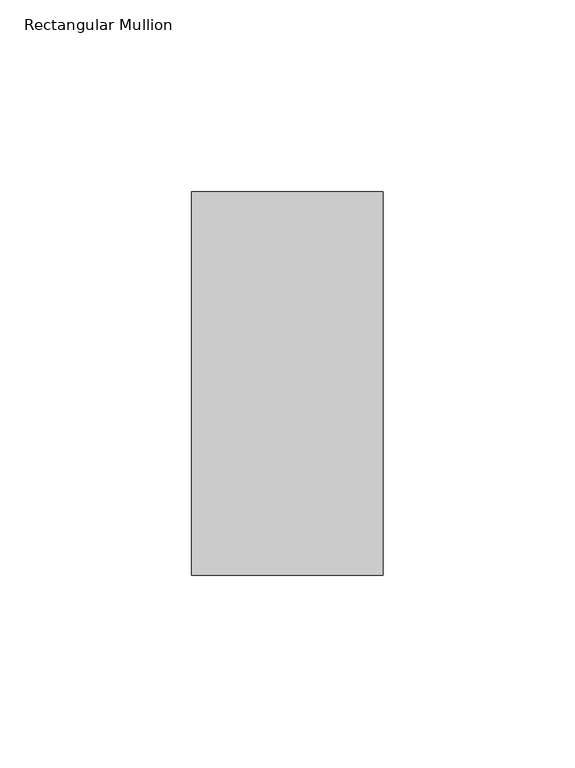
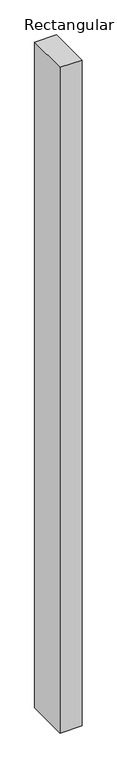
"""IFC4 building model written with IfcOpenShell, lengths in millimetres: member geometry, Rectangular Mullion."""

import ifcopenshell
import ifcopenshell.guid

model = None  # the IFC model being written
_history = None  # IfcOwnerHistory: only IFC2X3 demands one
_inside = {}  # id of a spatial element -> (the spatial element, [elements in it])
_under = {}  # id of a project, library or spatial element -> (it, [spatial elements below it])
_declared = {}  # id of a project -> (the project, [libraries it declares])
_typed = {}  # id of a type object -> (the type object, [elements of that type])
_made_of = {}  # id of a material, layer set ... -> (it, [elements and type objects made of it])


def new_model(schema):
    """Start an empty IFC model of exactly this schema.

    Asked for "IFC4X3", IfcOpenShell would pick the latest addendum, in which some entities
    have other attributes; the version numbers below select the first issue.
    IFC2X3 requires an IfcOwnerHistory on every rooted entity: one is made here for all.
    """
    global model, _history
    if schema == "IFC4X3":
        model = ifcopenshell.file(schema_version=(4, 3, 0, 0))
    else:
        model = ifcopenshell.file(schema=schema)
    _inside.clear()
    _under.clear()
    _declared.clear()
    _typed.clear()
    _made_of.clear()
    _history = None
    if model.schema == "IFC2X3":
        org = make("IfcOrganization", Name="unknown")
        user = make(
            "IfcPersonAndOrganization",
            ThePerson=make("IfcPerson", FamilyName="unknown"),
            TheOrganization=org,
        )
        app = make(
            "IfcApplication",
            ApplicationDeveloper=org,
            Version="unknown",
            ApplicationFullName="unknown",
            ApplicationIdentifier="unknown",
        )
        _history = make(
            "IfcOwnerHistory",
            OwningUser=user,
            OwningApplication=app,
            ChangeAction="ADDED",
            CreationDate=0,
        )
    return model


def make(cls, **values):
    """One entity of the class cls with the attributes given. An attribute that is None is left unset."""
    return model.create_entity(
        cls, **{name: value for name, value in values.items() if value is not None}
    )


def rooted(cls, **values):
    """An entity with a GlobalId (a new one), such as an element, a storey or a relation."""
    return make(cls, GlobalId=ifcopenshell.guid.new(), OwnerHistory=_history, **values)


def si_unit(unit_type, name, prefix=None):
    """IfcSIUnit, for example si_unit("LENGTHUNIT", "METRE", prefix="MILLI")."""
    return make("IfcSIUnit", UnitType=unit_type, Prefix=prefix, Name=name)


def assignment(units):
    """IfcUnitAssignment: the units of a project."""
    return None if units is None else make("IfcUnitAssignment", Units=units)


def point(xyz):
    """IfcCartesianPoint."""
    return None if xyz is None else make("IfcCartesianPoint", Coordinates=xyz)


def direction(xyz):
    """IfcDirection."""
    return None if xyz is None else make("IfcDirection", DirectionRatios=xyz)


def frame(location, z_axis=None, x_axis=None):
    """IfcAxis2Placement3D, a coordinate frame: its origin and axes. An axis left out is left unset."""
    return make(
        "IfcAxis2Placement3D",
        Location=point(location),
        Axis=direction(z_axis),
        RefDirection=direction(x_axis),
    )


def origin():
    """The frame at (0, 0, 0) with its axes left unset."""
    return frame((0.0, 0.0, 0.0))


def place(relative_to, where):
    """IfcLocalPlacement: puts the frame where relative to a parent placement (None: the world)."""
    return make(
        "IfcLocalPlacement", PlacementRelTo=relative_to, RelativePlacement=where
    )


def context(
    kind, dimensions, precision=None, world=None, true_north=None, identifier=None
):
    """IfcGeometricRepresentationContext, for example the 3D "Model" context."""
    return make(
        "IfcGeometricRepresentationContext",
        ContextIdentifier=identifier,
        ContextType=kind,
        CoordinateSpaceDimension=dimensions,
        Precision=precision,
        WorldCoordinateSystem=world,
        TrueNorth=true_north,
    )


def project(units=None, contexts=None):
    """IfcProject with its units and contexts."""
    return rooted(
        "IfcProject",
        Name="project",
        RepresentationContexts=contexts,
        UnitsInContext=assignment(units),
    )


def spatial(cls, under=None, at=None, **own):
    """A site, building, storey or space (cls), placed at a placement, below another one or the project."""
    s = rooted(cls, ObjectPlacement=at, **own)
    if under is not None:
        _under.setdefault(under.id(), (under, []))[1].append(s)
    return s


def polyline(points):
    """IfcPolyline through the points."""
    return make("IfcPolyline", Points=[point(p) for p in points])


def outline(outer, holes=None, kind="AREA"):
    """IfcArbitraryClosedProfileDef: a profile drawn as a closed curve; with holes, ...WithVoids."""
    if holes is None:
        return make("IfcArbitraryClosedProfileDef", ProfileType=kind, OuterCurve=outer)
    return make(
        "IfcArbitraryProfileDefWithVoids",
        ProfileType=kind,
        OuterCurve=outer,
        InnerCurves=holes,
    )


def extrude(swept, where, along, depth):
    """IfcExtrudedAreaSolid: the profile swept, set in the frame where, extruded along a direction by depth."""
    return make(
        "IfcExtrudedAreaSolid",
        SweptArea=swept,
        Position=where,
        ExtrudedDirection=direction(along),
        Depth=depth,
    )


def shape(context_of_items, identifier, shape_type, items):
    """IfcShapeRepresentation: the items that make up one representation, for example the "Body"."""
    return make(
        "IfcShapeRepresentation",
        ContextOfItems=context_of_items,
        RepresentationIdentifier=identifier,
        RepresentationType=shape_type,
        Items=items,
    )


def source(mapping_origin, context_of_items, identifier, shape_type, items):
    """IfcRepresentationMap: a shape defined once, which mapped items show again and again."""
    return make(
        "IfcRepresentationMap",
        MappingOrigin=mapping_origin,
        MappedRepresentation=shape(context_of_items, identifier, shape_type, items),
    )


def transform(
    local_origin,
    x_axis=None,
    y_axis=None,
    z_axis=None,
    scale=None,
    scale2=None,
    scale3=None,
    uniform=True,
):
    """IfcCartesianTransformationOperator3D, or its non-uniform kind. x_axis, y_axis, z_axis: its Axis1, 2, 3."""
    if uniform:
        return make(
            "IfcCartesianTransformationOperator3D",
            Axis1=direction(x_axis),
            Axis2=direction(y_axis),
            LocalOrigin=point(local_origin),
            Scale=scale,
            Axis3=direction(z_axis),
        )
    return make(
        "IfcCartesianTransformationOperator3DnonUniform",
        Axis1=direction(x_axis),
        Axis2=direction(y_axis),
        LocalOrigin=point(local_origin),
        Scale=scale,
        Axis3=direction(z_axis),
        Scale2=scale2,
        Scale3=scale3,
    )


def mapped(mapping_source, mapping_target):
    """IfcMappedItem: shows the shape of a source again, moved by a transform."""
    return make(
        "IfcMappedItem", MappingSource=mapping_source, MappingTarget=mapping_target
    )


def made_of(thing, what):
    """Note that an element or type object is made of a material, layer set ...; save() writes the relation."""
    if what is not None:
        _made_of.setdefault(what.id(), (what, []))[1].append(thing)
    return thing


def element(
    cls,
    number,
    at=None,
    inside=None,
    cuts=None,
    type_object=None,
    material=None,
    context=None,
    identifier="Body",
    shape_type=None,
    held_by="IfcProductDefinitionShape",
    body=None,
    shapes=None,
    **own,
):
    """One element of the class cls, such as IfcWall. Its Tag is "e" and its number.

    at: its placement. inside: the storey or other place that contains it. cuts: it is an
    opening in that element (IfcRelVoidsElement). A single representation is given by context,
    identifier, shape_type and body (its items); several are given by shapes. held_by: the class
    of the entity that holds the representations. save() writes the other relations.
    """
    e = rooted(cls, Tag="e%d" % number, ObjectPlacement=at, **own)
    if body is not None:
        shapes = [shape(context, identifier, shape_type, body)]
    if shapes is not None:
        e.Representation = make(held_by, Representations=shapes)
    if inside is not None:
        _inside.setdefault(inside.id(), (inside, []))[1].append(e)
    if cuts is not None:
        rooted(
            "IfcRelVoidsElement", RelatingBuildingElement=cuts, RelatedOpeningElement=e
        )
    if type_object is not None:
        _typed.setdefault(type_object.id(), (type_object, []))[1].append(e)
    return made_of(e, material)


def aggregate(whole, parts):
    """IfcRelAggregates: a whole, such as a stair, and the parts it consists of."""
    return rooted("IfcRelAggregates", RelatingObject=whole, RelatedObjects=parts)


def save(model, path):
    """Write the relations noted so far, then the file.

    IfcRelAggregates (storeys below a building ...), IfcRelContainedInSpatialStructure (elements
    in a storey), IfcRelDefinesByType, IfcRelAssociatesMaterial and IfcRelDeclares: one each for
    every whole, place, type object, material and project.
    """
    for whole, parts in _under.values():
        aggregate(whole, parts)
    for where, things in _inside.values():
        rooted(
            "IfcRelContainedInSpatialStructure",
            RelatedElements=things,
            RelatingStructure=where,
        )
    for kind, things in _typed.values():
        rooted("IfcRelDefinesByType", RelatedObjects=things, RelatingType=kind)
    for what, things in _made_of.values():
        rooted("IfcRelAssociatesMaterial", RelatedObjects=things, RelatingMaterial=what)
    for by, libraries in _declared.values():
        rooted("IfcRelDeclares", RelatingContext=by, RelatedDefinitions=libraries)
    model.write(path)


def rectangular_mullion_b6775802(model_context):
    return source(origin(), model_context, "Body", "SweptSolid", [
        extrude(outline(polyline([(25.0, 31.0), (25.0, -69.0), (-25.0, -69.0), (-25.0, 31.0), (25.0, 31.0)])), frame((0.0, 0.0, -1600.0), z_axis=(0.0, 0.0, 1.0), x_axis=(1.0, 0.0, 0.0)), (0.0, 0.0, 1.0), 1600.0),
    ])


if __name__ == "__main__":
    model = new_model("IFC4")
    model_context = context("Model", 3, world=origin())
    ifc_project = project(units=[si_unit("LENGTHUNIT", "METRE", prefix="MILLI")], contexts=[model_context])
    site = spatial("IfcSite", under=ifc_project)
    building = spatial("IfcBuilding", under=site)
    placement = place(None, origin())
    rectangular_mullion_shape = rectangular_mullion_b6775802(model_context)
    element("IfcMember", 1, ObjectType="Rectangular Mullion", at=placement, inside=building, context=model_context, shape_type="MappedRepresentation", body=[
        mapped(rectangular_mullion_shape, transform((0.0, 0.0, 0.0), x_axis=(1.0, 0.0, 0.0), y_axis=(0.0, 1.0, 0.0), z_axis=(0.0, 0.0, 1.0))),
    ])
    save(model, "model.ifc")
